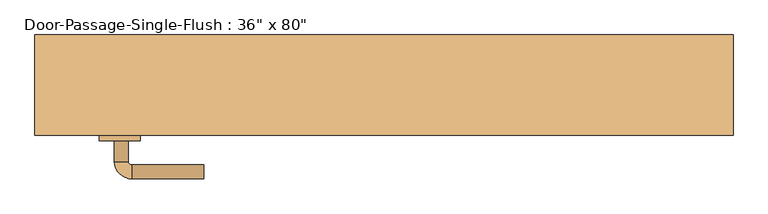
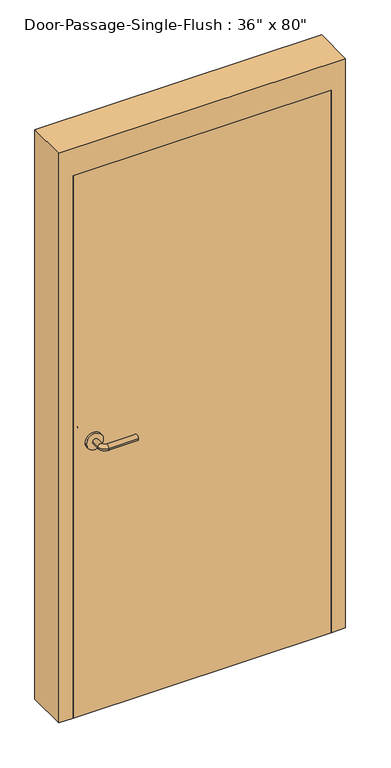
"""IFC4 building model written with IfcOpenShell, lengths in millimetres: door geometry."""

from ifc_helpers import new_model, si_unit, point, frame, frame_2d, origin, origin_with_axes, place, context, project, spatial, polyline, circle_curve, ellipse_curve, trimmed, segment, composite_curve, outline, extrude, faceted_brep, source, transform, mapped, element, save
from ifc_brep_helpers import plane_surface, cylinder_surface, revolved_surface, advanced_brep


def door_db79afba(model_context):
    return source(origin(), model_context, "Body", "SolidModel", [
        advanced_brep(
        [(-392.190625, -38.5, 1016.0), (-372.190625, -38.5, 1016.0), (-392.190625, -8.5, 1016.0), (-372.190625, -8.5, 1016.0), (-367.190625, -3.5, 1016.0), (-367.190625, 16.5, 1016.0), (-262.190625, 16.5, 1016.0), (-262.190625, -3.5, 1016.0)],
        [
            (0, 1, circle_curve(frame((-382.190625, -38.5, 1016.0), z_axis=(0.0, -1.0, 0.0), x_axis=(1.0, 0.0, 0.0)), 10.0)),
            (1, 0, circle_curve(frame((-382.190625, -38.5, 1016.0), z_axis=(0.0, -1.0, 0.0), x_axis=(1.0, 0.0, 0.0)), 10.0)),
            (0, 2),
            (2, 3, circle_curve(frame((-382.190625, -8.5, 1016.0), z_axis=(0.0, -1.0, 0.0), x_axis=(1.0, 0.0, 0.0)), 10.0)),
            (3, 1),
            (3, 2, circle_curve(frame((-382.190625, -8.5, 1016.0), z_axis=(0.0, -1.0, 0.0), x_axis=(1.0, 0.0, 0.0)), 10.0)),
            (4, 3, circle_curve(frame((-367.190625, -8.5, 1016.0), z_axis=(0.0, 0.0, 1.0), x_axis=(-1.0, 0.0, 0.0)), 5.0)),
            (2, 5, circle_curve(frame((-367.190625, -8.5, 1016.0), z_axis=(0.0, 0.0, -1.0), x_axis=(-1.0, 0.0, 0.0)), 25.0)),
            (5, 4, circle_curve(frame((-367.190625, 6.5, 1016.0), z_axis=(-1.0, 0.0, 0.0), x_axis=(0.0, -1.0, 0.0)), 10.0)),
            (4, 5, circle_curve(frame((-367.190625, 6.5, 1016.0), z_axis=(-1.0, 0.0, 0.0), x_axis=(0.0, -1.0, 0.0)), 10.0)),
            (6, 7, circle_curve(frame((-262.190625, 6.5, 1016.0), z_axis=(1.0, 0.0, 0.0), x_axis=(0.0, -1.0, 0.0)), 10.0)),
            (7, 6, circle_curve(frame((-262.190625, 6.5, 1016.0), z_axis=(1.0, 0.0, 0.0), x_axis=(0.0, -1.0, 0.0)), 10.0)),
            (5, 6),
            (7, 4),
        ],
        [
            plane_surface(frame((-382.190625, -38.5, 1016.0), z_axis=(0.0, -1.0, 0.0), x_axis=(0.0, 0.0, 1.0))),
            cylinder_surface(frame((-382.190625, -38.5, 1016.0), z_axis=(0.0, -1.0, 0.0), x_axis=(1.0, 0.0, 0.0)), 10.0),
            revolved_surface(trimmed(ellipse_curve(frame((-382.190625, -8.5, 1016.0), z_axis=(0.0, -1.0, 0.0), x_axis=(1.0, 0.0, 0.0)), 10.0, 10.0), [point((-392.190625, -8.5, 1016.0))], [point((-372.190625, -8.5, 1016.0))], True, "CARTESIAN"), (-367.190625, -8.5, 1016.0), (0.0, 0.0, -1.0)),
            revolved_surface(trimmed(ellipse_curve(frame((-382.190625, -8.5, 1016.0), z_axis=(0.0, -1.0, 0.0), x_axis=(1.0, 0.0, 0.0)), 10.0, 10.0), [point((-372.190625, -8.5, 1016.0))], [point((-392.190625, -8.5, 1016.0))], True, "CARTESIAN"), (-367.190625, -8.5, 1016.0), (0.0, 0.0, -1.0)),
            plane_surface(frame((-262.190625, 6.5, 1016.0), z_axis=(1.0, 0.0, 0.0), x_axis=(0.0, 0.0, 1.0))),
            cylinder_surface(frame((-367.190625, 6.5, 1016.0), z_axis=(-1.0, 0.0, 0.0), x_axis=(0.0, -1.0, 0.0)), 10.0),
        ],
        [
            (0, [[1, 2]]),
            (1, [[-1, 3, 4, 5]]),
            (1, [[-2, -5, 6, -3]]),
            (2, [[7, -4, 8, 9]]),
            (3, [[-8, -6, -7, 10]]),
            (4, [[11, 12]]),
            (5, [[-9, 13, -12, 14]]),
            (5, [[-10, -14, -11, -13]]),
        ],
    ),
        extrude(outline(composite_curve([segment(trimmed(circle_curve(frame_2d((1016.0, -384.690625)), 30.0), [point((1016.0, -414.690625))], [point((1016.0, -354.690625))], False, "CARTESIAN"), True, "CONTINUOUS"), segment(trimmed(circle_curve(frame_2d((1016.0, -384.690625)), 30.0), [point((1016.0, -354.690625))], [point((1016.0, -414.690625))], False, "CARTESIAN"), True, "CONTINUOUS")], self_intersect=False)), frame((0.0, -46.5, 0.0), z_axis=(0.0, 1.0, 0.0), x_axis=(0.0, 0.0, 1.0)), (0.0, 0.0, 1.0), 8.0),
        advanced_brep(
        [(-392.190625, -98.95, 1016.0), (-372.190625, -98.95, 1016.0), (-372.190625, -128.95, 1016.0), (-392.190625, -128.95, 1016.0), (-367.190625, -133.95, 1016.0), (-367.190625, -153.95, 1016.0), (-262.190625, -153.95, 1016.0), (-262.190625, -133.95, 1016.0)],
        [
            (0, 1, circle_curve(frame((-382.190625, -98.95, 1016.0), z_axis=(0.0, 1.0, 0.0), x_axis=(1.0, 0.0, 0.0)), 10.0)),
            (1, 0, circle_curve(frame((-382.190625, -98.95, 1016.0), z_axis=(0.0, 1.0, 0.0), x_axis=(1.0, 0.0, 0.0)), 10.0)),
            (1, 2),
            (2, 3, circle_curve(frame((-382.190625, -128.95, 1016.0), z_axis=(0.0, 1.0, 0.0), x_axis=(1.0, 0.0, 0.0)), 10.0)),
            (3, 0),
            (3, 2, circle_curve(frame((-382.190625, -128.95, 1016.0), z_axis=(0.0, 1.0, 0.0), x_axis=(1.0, 0.0, 0.0)), 10.0)),
            (4, 5, circle_curve(frame((-367.190625, -143.95, 1016.0), z_axis=(-1.0, 0.0, 0.0), x_axis=(0.0, 1.0, 0.0)), 10.0)),
            (5, 3, circle_curve(frame((-367.190625, -128.95, 1016.0), z_axis=(0.0, 0.0, -1.0), x_axis=(-1.0, 0.0, 0.0)), 25.0)),
            (2, 4, circle_curve(frame((-367.190625, -128.95, 1016.0), z_axis=(0.0, 0.0, 1.0), x_axis=(-1.0, 0.0, 0.0)), 5.0)),
            (5, 4, circle_curve(frame((-367.190625, -143.95, 1016.0), z_axis=(-1.0, 0.0, 0.0), x_axis=(0.0, 1.0, 0.0)), 10.0)),
            (6, 7, circle_curve(frame((-262.190625, -143.95, 1016.0), z_axis=(1.0, 0.0, 0.0), x_axis=(0.0, 1.0, 0.0)), 10.0)),
            (7, 6, circle_curve(frame((-262.190625, -143.95, 1016.0), z_axis=(1.0, 0.0, 0.0), x_axis=(0.0, 1.0, 0.0)), 10.0)),
            (4, 7),
            (6, 5),
        ],
        [
            plane_surface(frame((-382.190625, -98.95, 1016.0), z_axis=(0.0, 1.0, 0.0), x_axis=(0.0, 0.0, 1.0))),
            cylinder_surface(frame((-382.190625, -98.95, 1016.0), z_axis=(0.0, 1.0, 0.0), x_axis=(1.0, 0.0, 0.0)), 10.0),
            revolved_surface(trimmed(ellipse_curve(frame((-382.190625, -128.95, 1016.0), z_axis=(0.0, -1.0, 0.0), x_axis=(1.0, 0.0, 0.0)), 10.0, 10.0), [point((-392.190625, -128.95, 1016.0))], [point((-372.190625, -128.95, 1016.0))], True, "CARTESIAN"), (-367.190625, -128.95, 1016.0), (0.0, 0.0, -1.0)),
            revolved_surface(trimmed(ellipse_curve(frame((-382.190625, -128.95, 1016.0), z_axis=(0.0, -1.0, 0.0), x_axis=(1.0, 0.0, 0.0)), 10.0, 10.0), [point((-372.190625, -128.95, 1016.0))], [point((-392.190625, -128.95, 1016.0))], True, "CARTESIAN"), (-367.190625, -128.95, 1016.0), (0.0, 0.0, -1.0)),
            plane_surface(frame((-262.190625, -143.95, 1016.0), z_axis=(1.0, 0.0, 0.0), x_axis=(0.0, 0.0, 1.0))),
            cylinder_surface(frame((-367.190625, -143.95, 1016.0), z_axis=(-1.0, 0.0, 0.0), x_axis=(0.0, 1.0, 0.0)), 10.0),
        ],
        [
            (0, [[1, 2]]),
            (1, [[3, 4, 5, -2]]),
            (1, [[-5, 6, -3, -1]]),
            (2, [[7, 8, -4, 9]]),
            (3, [[10, -9, -6, -8]]),
            (4, [[11, 12]]),
            (5, [[13, -11, 14, -7]]),
            (5, [[-14, -12, -13, -10]]),
        ],
    ),
        extrude(outline(composite_curve([segment(trimmed(circle_curve(frame_2d((1016.0, -384.690625)), 30.0), [point((1016.0, -414.690625))], [point((1016.0, -354.690625))], False, "CARTESIAN"), True, "CONTINUOUS"), segment(trimmed(circle_curve(frame_2d((1016.0, -384.690625)), 30.0), [point((1016.0, -354.690625))], [point((1016.0, -414.690625))], False, "CARTESIAN"), True, "CONTINUOUS")], self_intersect=False)), frame((0.0, -98.95, 0.0), z_axis=(0.0, 1.0, 0.0), x_axis=(0.0, 0.0, 1.0)), (0.0, 0.0, 1.0), 8.0),
        extrude(outline(polyline([(457.2, -46.5), (457.2, -90.95), (-457.2, -90.95), (-457.2, -46.5), (457.2, -46.5)])), origin_with_axes(), (0.0, 0.0, 1.0), 2032.0),
        faceted_brep([(457.2, -41.7375, 0.0), (441.325, -41.7375, 0.0), (441.325, 5.8875, 0.0), (457.2, 5.8875, 0.0), (457.2, 55.1, 0.0), (508.0, 55.1, 0.0), (508.0, -90.95, 0.0), (457.2, -90.95, 0.0), (457.2, -90.95, 2032.0), (457.2, -41.7375, 2032.0), (508.0, -90.95, 2133.6), (-508.0, -90.95, 2133.6), (-508.0, -90.95, 0.0), (-457.2, -90.95, 0.0), (-457.2, -90.95, 2032.0), (508.0, 55.1, 2133.6), (457.2, 55.1, 2032.0), (-457.2, 55.1, 2032.0), (-457.2, 55.1, 0.0), (-508.0, 55.1, 0.0), (-508.0, 55.1, 2133.6), (457.2, 5.8875, 2032.0), (441.325, 5.8875, 2016.125), (-441.325, 5.8875, 2016.125), (-441.325, 5.8875, 0.0), (-457.2, 5.8875, 0.0), (-457.2, 5.8875, 2032.0), (441.325, -41.7375, 2016.125), (-457.2, -41.7375, 2032.0), (-457.2, -41.7375, 0.0), (-441.325, -41.7375, 0.0), (-441.325, -41.7375, 2016.125)], [[[0, 1, 2, 3, 4, 5, 6, 7]], [[7, 8, 9, 0]], [[6, 10, 11, 12, 13, 14, 8, 7]], [[5, 15, 10, 6]], [[4, 16, 17, 18, 19, 20, 15, 5]], [[3, 21, 16, 4]], [[2, 22, 23, 24, 25, 26, 21, 3]], [[1, 27, 22, 2]], [[0, 9, 28, 29, 30, 31, 27, 1]], [[8, 14, 28, 9]], [[16, 21, 26, 17]], [[22, 27, 31, 23]], [[12, 19, 18, 25, 24, 30, 29, 13]], [[13, 29, 28, 14]], [[11, 20, 19, 12]], [[17, 26, 25, 18]], [[23, 31, 30, 24]], [[15, 20, 11, 10]]]),
    ])


if __name__ == "__main__":
    model = new_model("IFC4")
    model_context = context("Model", 3, world=origin())
    ifc_project = project(units=[si_unit("LENGTHUNIT", "METRE", prefix="MILLI")], contexts=[model_context])
    site = spatial("IfcSite", under=ifc_project)
    building = spatial("IfcBuilding", under=site)
    placement = place(None, origin())
    door_shape = door_db79afba(model_context)
    element("IfcDoor", 1, ObjectType="Door-Passage-Single-Flush : 36\" x 80\"", at=placement, inside=building, context=model_context, shape_type="MappedRepresentation", body=[
        mapped(door_shape, transform((0.0, 0.0, 0.0), x_axis=(1.0, 0.0, 0.0), y_axis=(0.0, 1.0, 0.0), z_axis=(0.0, 0.0, 1.0))),
    ])
    save(model, "model.ifc")
